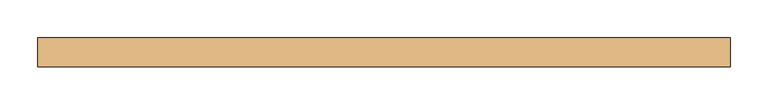
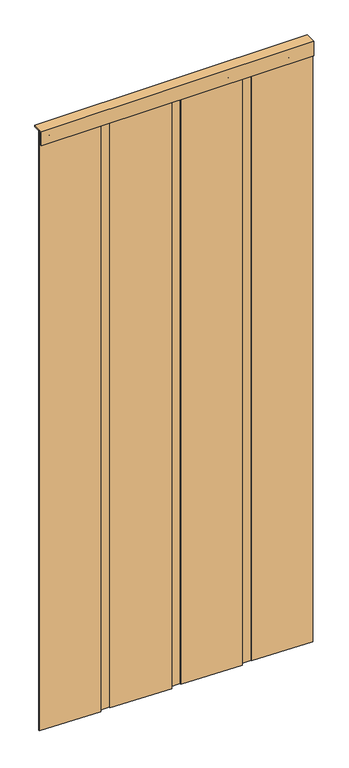
"""IFC4 building model written with IfcOpenShell, lengths in millimetres: door geometry."""

from ifc_helpers import new_model, si_unit, point, frame, frame_2d, origin, origin_with_axes, place, context, project, spatial, polyline, circle_curve, trimmed, segment, composite_curve, outline, extrude, source, transform, mapped, element, save


def door_4309a32e(model_context):
    return source(origin(), model_context, "Body", "SweptSolid", [
        extrude(outline(polyline([(1531.2906968, -893.5972938), (1531.2906968, -890.4222938), (1734.4906968, -884.0722938), (1734.4906968, -887.2472938), (1531.2906968, -893.5972938)])), origin_with_axes(), (0.0, 0.0, 1.0), 2127.25),
        extrude(outline(polyline([(1853.0240301, -899.1535438), (1649.8240301, -892.8035438), (1649.8240301, -889.6285438), (1853.0240301, -895.9785438), (1853.0240301, -899.1535438)])), origin_with_axes(), (0.0, 0.0, 1.0), 2127.25),
        extrude(outline(polyline([(1785.2906968, -893.5972938), (1785.2906968, -890.4222938), (1988.4906968, -884.0722938), (1988.4906968, -887.2472938), (1785.2906968, -893.5972938)])), origin_with_axes(), (0.0, 0.0, 1.0), 2127.25),
        extrude(outline(polyline([(1277.2906968, -893.5972938), (1277.2906968, -890.4222938), (1480.4906968, -884.0722938), (1480.4906968, -887.2472938), (1277.2906968, -893.5972938)])), origin_with_axes(), (0.0, 0.0, 1.0), 2127.25),
        extrude(outline(polyline([(1615.9573635, -899.1535438), (1412.7573635, -892.8035438), (1412.7573635, -889.6285438), (1615.9573635, -895.9785438), (1615.9573635, -899.1535438)])), origin_with_axes(), (0.0, 0.0, 1.0), 2127.25),
        extrude(outline(polyline([(2090.0906968, -899.1535438), (1886.8906968, -892.8035438), (1886.8906968, -889.6285438), (2090.0906968, -895.9785438), (2090.0906968, -899.1535438)])), origin_with_axes(), (0.0, 0.0, 1.0), 2127.25),
        extrude(outline(polyline([(1378.8906968, -899.1535438), (1175.6906968, -892.8035438), (1175.6906968, -889.6285438), (1378.8906968, -895.9785438), (1378.8906968, -899.1535438)])), origin_with_axes(), (0.0, 0.0, 1.0), 2127.25),
        extrude(outline(composite_curve([segment(trimmed(circle_curve(frame_2d((2103.3935012, 2064.6906968)), 6.35), [point((2103.3935012, 2058.3406968))], [point((2103.3935012, 2071.0406968))], False, "CARTESIAN"), True, "CONTINUOUS"), segment(trimmed(circle_curve(frame_2d((2103.3935012, 2064.6906968)), 6.35), [point((2103.3935012, 2071.0406968))], [point((2103.3935012, 2058.3406968))], False, "CARTESIAN"), True, "CONTINUOUS")], self_intersect=False)), frame((0.0, -899.1535438, 0.0), z_axis=(0.0, 1.0, 0.0), x_axis=(0.0, 0.0, 1.0)), (0.0, 0.0, 1.0), 19.05),
        extrude(outline(composite_curve([segment(trimmed(circle_curve(frame_2d((2103.3935012, 2013.8906968)), 6.35), [point((2103.3935012, 2007.5406968))], [point((2103.3935012, 2020.2406968))], False, "CARTESIAN"), True, "CONTINUOUS"), segment(trimmed(circle_curve(frame_2d((2103.3935012, 2013.8906968)), 6.35), [point((2103.3935012, 2020.2406968))], [point((2103.3935012, 2007.5406968))], False, "CARTESIAN"), True, "CONTINUOUS")], self_intersect=False)), frame((0.0, -899.1535438, 0.0), z_axis=(0.0, 1.0, 0.0), x_axis=(0.0, 0.0, 1.0)), (0.0, 0.0, 1.0), 19.05),
        extrude(outline(composite_curve([segment(trimmed(circle_curve(frame_2d((2103.3935012, 1963.0906968)), 6.35), [point((2103.3935012, 1956.7406968))], [point((2103.3935012, 1969.4406968))], False, "CARTESIAN"), True, "CONTINUOUS"), segment(trimmed(circle_curve(frame_2d((2103.3935012, 1963.0906968)), 6.35), [point((2103.3935012, 1969.4406968))], [point((2103.3935012, 1956.7406968))], False, "CARTESIAN"), True, "CONTINUOUS")], self_intersect=False)), frame((0.0, -899.1535438, 0.0), z_axis=(0.0, 1.0, 0.0), x_axis=(0.0, 0.0, 1.0)), (0.0, 0.0, 1.0), 19.05),
        extrude(outline(composite_curve([segment(trimmed(circle_curve(frame_2d((2103.3935012, 1912.2906968)), 6.35), [point((2103.3935012, 1905.9406968))], [point((2103.3935012, 1918.6406968))], False, "CARTESIAN"), True, "CONTINUOUS"), segment(trimmed(circle_curve(frame_2d((2103.3935012, 1912.2906968)), 6.35), [point((2103.3935012, 1918.6406968))], [point((2103.3935012, 1905.9406968))], False, "CARTESIAN"), True, "CONTINUOUS")], self_intersect=False)), frame((0.0, -899.1535438, 0.0), z_axis=(0.0, 1.0, 0.0), x_axis=(0.0, 0.0, 1.0)), (0.0, 0.0, 1.0), 19.05),
        extrude(outline(composite_curve([segment(trimmed(circle_curve(frame_2d((2103.3935012, 1861.4906968)), 6.35), [point((2103.3935012, 1855.1406968))], [point((2103.3935012, 1867.8406968))], False, "CARTESIAN"), True, "CONTINUOUS"), segment(trimmed(circle_curve(frame_2d((2103.3935012, 1861.4906968)), 6.35), [point((2103.3935012, 1867.8406968))], [point((2103.3935012, 1855.1406968))], False, "CARTESIAN"), True, "CONTINUOUS")], self_intersect=False)), frame((0.0, -899.1535438, 0.0), z_axis=(0.0, 1.0, 0.0), x_axis=(0.0, 0.0, 1.0)), (0.0, 0.0, 1.0), 19.05),
        extrude(outline(composite_curve([segment(trimmed(circle_curve(frame_2d((2103.3935012, 1810.6906968)), 6.35), [point((2103.3935012, 1804.3406968))], [point((2103.3935012, 1817.0406968))], False, "CARTESIAN"), True, "CONTINUOUS"), segment(trimmed(circle_curve(frame_2d((2103.3935012, 1810.6906968)), 6.35), [point((2103.3935012, 1817.0406968))], [point((2103.3935012, 1804.3406968))], False, "CARTESIAN"), True, "CONTINUOUS")], self_intersect=False)), frame((0.0, -899.1535438, 0.0), z_axis=(0.0, 1.0, 0.0), x_axis=(0.0, 0.0, 1.0)), (0.0, 0.0, 1.0), 19.05),
        extrude(outline(composite_curve([segment(trimmed(circle_curve(frame_2d((2103.3935012, 1759.8906968)), 6.35), [point((2103.3935012, 1753.5406968))], [point((2103.3935012, 1766.2406968))], False, "CARTESIAN"), True, "CONTINUOUS"), segment(trimmed(circle_curve(frame_2d((2103.3935012, 1759.8906968)), 6.35), [point((2103.3935012, 1766.2406968))], [point((2103.3935012, 1753.5406968))], False, "CARTESIAN"), True, "CONTINUOUS")], self_intersect=False)), frame((0.0, -899.1535438, 0.0), z_axis=(0.0, 1.0, 0.0), x_axis=(0.0, 0.0, 1.0)), (0.0, 0.0, 1.0), 19.05),
        extrude(outline(composite_curve([segment(trimmed(circle_curve(frame_2d((2103.3935012, 1709.0906968)), 6.35), [point((2103.3935012, 1702.7406968))], [point((2103.3935012, 1715.4406968))], False, "CARTESIAN"), True, "CONTINUOUS"), segment(trimmed(circle_curve(frame_2d((2103.3935012, 1709.0906968)), 6.35), [point((2103.3935012, 1715.4406968))], [point((2103.3935012, 1702.7406968))], False, "CARTESIAN"), True, "CONTINUOUS")], self_intersect=False)), frame((0.0, -899.1535438, 0.0), z_axis=(0.0, 1.0, 0.0), x_axis=(0.0, 0.0, 1.0)), (0.0, 0.0, 1.0), 19.05),
        extrude(outline(composite_curve([segment(trimmed(circle_curve(frame_2d((2103.3935012, 1658.2906968)), 6.35), [point((2103.3935012, 1651.9406968))], [point((2103.3935012, 1664.6406968))], False, "CARTESIAN"), True, "CONTINUOUS"), segment(trimmed(circle_curve(frame_2d((2103.3935012, 1658.2906968)), 6.35), [point((2103.3935012, 1664.6406968))], [point((2103.3935012, 1651.9406968))], False, "CARTESIAN"), True, "CONTINUOUS")], self_intersect=False)), frame((0.0, -899.1535438, 0.0), z_axis=(0.0, 1.0, 0.0), x_axis=(0.0, 0.0, 1.0)), (0.0, 0.0, 1.0), 19.05),
        extrude(outline(composite_curve([segment(trimmed(circle_curve(frame_2d((2103.3935012, 1607.4906968)), 6.35), [point((2103.3935012, 1601.1406968))], [point((2103.3935012, 1613.8406968))], False, "CARTESIAN"), True, "CONTINUOUS"), segment(trimmed(circle_curve(frame_2d((2103.3935012, 1607.4906968)), 6.35), [point((2103.3935012, 1613.8406968))], [point((2103.3935012, 1601.1406968))], False, "CARTESIAN"), True, "CONTINUOUS")], self_intersect=False)), frame((0.0, -899.1535438, 0.0), z_axis=(0.0, 1.0, 0.0), x_axis=(0.0, 0.0, 1.0)), (0.0, 0.0, 1.0), 19.05),
        extrude(outline(composite_curve([segment(trimmed(circle_curve(frame_2d((2103.3935012, 1556.6906968)), 6.35), [point((2103.3935012, 1550.3406968))], [point((2103.3935012, 1563.0406968))], False, "CARTESIAN"), True, "CONTINUOUS"), segment(trimmed(circle_curve(frame_2d((2103.3935012, 1556.6906968)), 6.35), [point((2103.3935012, 1563.0406968))], [point((2103.3935012, 1550.3406968))], False, "CARTESIAN"), True, "CONTINUOUS")], self_intersect=False)), frame((0.0, -899.1535438, 0.0), z_axis=(0.0, 1.0, 0.0), x_axis=(0.0, 0.0, 1.0)), (0.0, 0.0, 1.0), 19.05),
        extrude(outline(composite_curve([segment(trimmed(circle_curve(frame_2d((2103.3935012, 1505.8906968)), 6.35), [point((2103.3935012, 1499.5406968))], [point((2103.3935012, 1512.2406968))], False, "CARTESIAN"), True, "CONTINUOUS"), segment(trimmed(circle_curve(frame_2d((2103.3935012, 1505.8906968)), 6.35), [point((2103.3935012, 1512.2406968))], [point((2103.3935012, 1499.5406968))], False, "CARTESIAN"), True, "CONTINUOUS")], self_intersect=False)), frame((0.0, -899.1535438, 0.0), z_axis=(0.0, 1.0, 0.0), x_axis=(0.0, 0.0, 1.0)), (0.0, 0.0, 1.0), 19.05),
        extrude(outline(composite_curve([segment(trimmed(circle_curve(frame_2d((2103.3935012, 1455.0906968)), 6.35), [point((2103.3935012, 1448.7406968))], [point((2103.3935012, 1461.4406968))], False, "CARTESIAN"), True, "CONTINUOUS"), segment(trimmed(circle_curve(frame_2d((2103.3935012, 1455.0906968)), 6.35), [point((2103.3935012, 1461.4406968))], [point((2103.3935012, 1448.7406968))], False, "CARTESIAN"), True, "CONTINUOUS")], self_intersect=False)), frame((0.0, -899.1535438, 0.0), z_axis=(0.0, 1.0, 0.0), x_axis=(0.0, 0.0, 1.0)), (0.0, 0.0, 1.0), 19.05),
        extrude(outline(composite_curve([segment(trimmed(circle_curve(frame_2d((2103.3935012, 1404.2906968)), 6.35), [point((2103.3935012, 1397.9406968))], [point((2103.3935012, 1410.6406968))], False, "CARTESIAN"), True, "CONTINUOUS"), segment(trimmed(circle_curve(frame_2d((2103.3935012, 1404.2906968)), 6.35), [point((2103.3935012, 1410.6406968))], [point((2103.3935012, 1397.9406968))], False, "CARTESIAN"), True, "CONTINUOUS")], self_intersect=False)), frame((0.0, -899.1535438, 0.0), z_axis=(0.0, 1.0, 0.0), x_axis=(0.0, 0.0, 1.0)), (0.0, 0.0, 1.0), 19.05),
        extrude(outline(composite_curve([segment(trimmed(circle_curve(frame_2d((2103.3935012, 1353.4906968)), 6.35), [point((2103.3935012, 1347.1406968))], [point((2103.3935012, 1359.8406968))], False, "CARTESIAN"), True, "CONTINUOUS"), segment(trimmed(circle_curve(frame_2d((2103.3935012, 1353.4906968)), 6.35), [point((2103.3935012, 1359.8406968))], [point((2103.3935012, 1347.1406968))], False, "CARTESIAN"), True, "CONTINUOUS")], self_intersect=False)), frame((0.0, -899.1535438, 0.0), z_axis=(0.0, 1.0, 0.0), x_axis=(0.0, 0.0, 1.0)), (0.0, 0.0, 1.0), 19.05),
        extrude(outline(composite_curve([segment(trimmed(circle_curve(frame_2d((2103.3935012, 1302.6906968)), 6.35), [point((2103.3935012, 1296.3406968))], [point((2103.3935012, 1309.0406968))], False, "CARTESIAN"), True, "CONTINUOUS"), segment(trimmed(circle_curve(frame_2d((2103.3935012, 1302.6906968)), 6.35), [point((2103.3935012, 1309.0406968))], [point((2103.3935012, 1296.3406968))], False, "CARTESIAN"), True, "CONTINUOUS")], self_intersect=False)), frame((0.0, -899.1535438, 0.0), z_axis=(0.0, 1.0, 0.0), x_axis=(0.0, 0.0, 1.0)), (0.0, 0.0, 1.0), 19.05),
        extrude(outline(composite_curve([segment(trimmed(circle_curve(frame_2d((2103.3935012, 1251.8906968)), 6.35), [point((2103.3935012, 1245.5406968))], [point((2103.3935012, 1258.2406968))], False, "CARTESIAN"), True, "CONTINUOUS"), segment(trimmed(circle_curve(frame_2d((2103.3935012, 1251.8906968)), 6.35), [point((2103.3935012, 1258.2406968))], [point((2103.3935012, 1245.5406968))], False, "CARTESIAN"), True, "CONTINUOUS")], self_intersect=False)), frame((0.0, -899.1535438, 0.0), z_axis=(0.0, 1.0, 0.0), x_axis=(0.0, 0.0, 1.0)), (0.0, 0.0, 1.0), 19.05),
        extrude(outline(composite_curve([segment(trimmed(circle_curve(frame_2d((2103.3935012, 1201.0906968)), 6.35), [point((2103.3935012, 1194.7406968))], [point((2103.3935012, 1207.4406968))], False, "CARTESIAN"), True, "CONTINUOUS"), segment(trimmed(circle_curve(frame_2d((2103.3935012, 1201.0906968)), 6.35), [point((2103.3935012, 1207.4406968))], [point((2103.3935012, 1194.7406968))], False, "CARTESIAN"), True, "CONTINUOUS")], self_intersect=False)), frame((0.0, -899.1535438, 0.0), z_axis=(0.0, 1.0, 0.0), x_axis=(0.0, 0.0, 1.0)), (0.0, 0.0, 1.0), 19.05),
        extrude(outline(polyline([(-867.4035438, 2133.6), (-867.4035438, 2127.25), (-899.1535438, 2127.25), (-899.1535438, 2082.8), (-905.5035438, 2082.8), (-905.5035438, 2133.6), (-867.4035438, 2133.6)])), frame((1175.6906968, 0.0, 0.0), z_axis=(1.0, 0.0, 0.0), x_axis=(0.0, 1.0, 0.0)), (0.0, 0.0, 1.0), 914.4),
    ])


if __name__ == "__main__":
    model = new_model("IFC4")
    model_context = context("Model", 3, world=origin())
    ifc_project = project(units=[si_unit("LENGTHUNIT", "METRE", prefix="MILLI")], contexts=[model_context])
    site = spatial("IfcSite", under=ifc_project)
    building = spatial("IfcBuilding", under=site)
    placement = place(None, origin())
    door_shape = door_4309a32e(model_context)
    element("IfcDoor", 1, at=placement, inside=building, context=model_context, shape_type="MappedRepresentation", body=[
        mapped(door_shape, transform((0.0, 0.0, 0.0), x_axis=(1.0, 0.0, 0.0), y_axis=(0.0, 1.0, 0.0), z_axis=(0.0, 0.0, 1.0))),
    ])
    save(model, "model.ifc")
